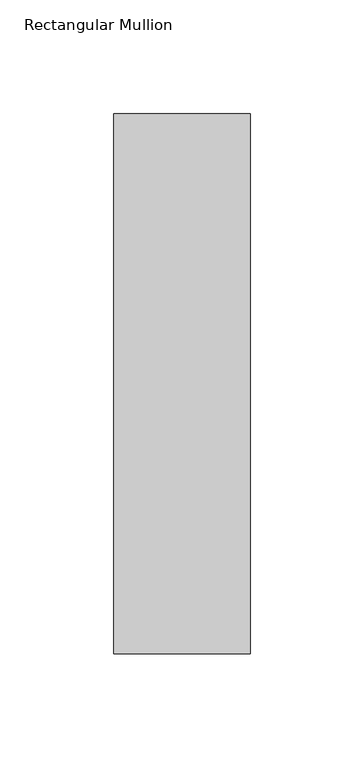
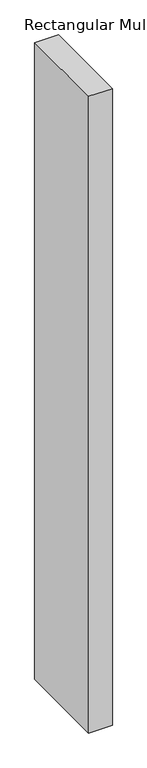
"""IFC4 building model written with IfcOpenShell, lengths in millimetres: member geometry, Rectangular Mullion."""

from ifc_helpers import new_model, si_unit, frame, origin, place, context, project, spatial, polyline, outline, extrude, source, transform, mapped, element, save


def rectangular_mullion_81fb931a(model_context):
    return source(origin(), model_context, "Body", "SweptSolid", [
        extrude(outline(polyline([(30.0, 184.19375), (30.0, -53.19375), (-30.0, -53.19375), (-30.0, 184.19375), (30.0, 184.19375)])), frame((0.0, 0.0, -1708.8912252), z_axis=(0.0, 0.0, 1.0), x_axis=(1.0, 0.0, 0.0)), (0.0, 0.0, 1.0), 1708.8912252),
    ])


if __name__ == "__main__":
    model = new_model("IFC4")
    model_context = context("Model", 3, world=origin())
    ifc_project = project(units=[si_unit("LENGTHUNIT", "METRE", prefix="MILLI")], contexts=[model_context])
    site = spatial("IfcSite", under=ifc_project)
    building = spatial("IfcBuilding", under=site)
    placement = place(None, origin())
    rectangular_mullion_shape = rectangular_mullion_81fb931a(model_context)
    element("IfcMember", 1, ObjectType="Rectangular Mullion", at=placement, inside=building, context=model_context, shape_type="MappedRepresentation", body=[
        mapped(rectangular_mullion_shape, transform((0.0, 0.0, 0.0), x_axis=(1.0, 0.0, 0.0), y_axis=(0.0, 1.0, 0.0), z_axis=(0.0, 0.0, 1.0))),
    ])
    save(model, "model.ifc")
